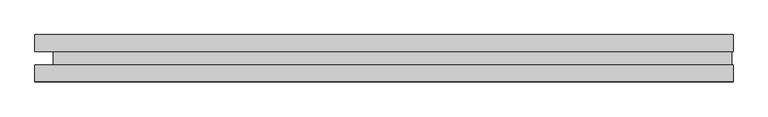
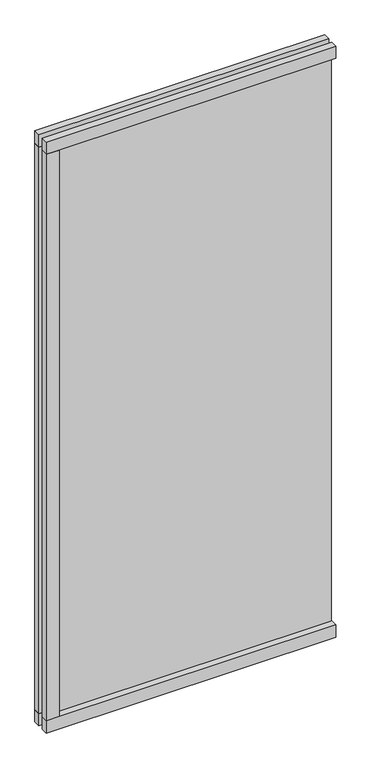
"""IFC4 building model written with IfcOpenShell, lengths in millimetres: plate geometry."""

from ifc_helpers import new_model, si_unit, frame, origin, origin_with_axes, place, context, project, spatial, polyline, outline, extrude, source, transform, mapped, element, save


def plate_3083fabf(model_context):
    return source(origin(), model_context, "Body", "SweptSolid", [
        extrude(outline(polyline([(-667.5833334, 45.0), (-607.5833334, 45.0), (-607.5833334, 13.0), (-667.5833334, 13.0), (-667.5833334, 45.0)])), frame((0.0, 0.0, 60.0), z_axis=(0.0, 0.0, 1.0), x_axis=(1.0, 0.0, 0.0)), (0.0, 0.0, 1.0), 2765.0),
        extrude(outline(polyline([(-607.5833334, -13.0), (-607.5833334, -45.0), (-667.5833334, -45.0), (-667.5833334, -13.0), (-607.5833334, -13.0)])), frame((0.0, 0.0, 60.0), z_axis=(0.0, 0.0, 1.0), x_axis=(1.0, 0.0, 0.0)), (0.0, 0.0, 1.0), 2765.0),
        extrude(outline(polyline([(670.0833334, -13.0), (670.0833334, -45.0), (-667.5833334, -45.0), (-667.5833334, -13.0), (670.0833334, -13.0)])), origin_with_axes(), (0.0, 0.0, 1.0), 60.0),
        extrude(outline(polyline([(670.0833334, 45.0), (670.0833334, 13.0), (-667.5833334, 13.0), (-667.5833334, 45.0), (670.0833334, 45.0)])), origin_with_axes(), (0.0, 0.0, 1.0), 60.0),
        extrude(outline(polyline([(670.0833334, -13.0), (670.0833334, -45.0), (-667.5833334, -45.0), (-667.5833334, -13.0), (670.0833334, -13.0)])), frame((0.0, 0.0, 2825.0), z_axis=(0.0, 0.0, 1.0), x_axis=(1.0, 0.0, 0.0)), (0.0, 0.0, 1.0), 60.0),
        extrude(outline(polyline([(670.0833334, 45.0), (670.0833334, 13.0), (-667.5833334, 13.0), (-667.5833334, 45.0), (670.0833334, 45.0)])), frame((0.0, 0.0, 2825.0), z_axis=(0.0, 0.0, 1.0), x_axis=(1.0, 0.0, 0.0)), (0.0, 0.0, 1.0), 60.0),
        extrude(outline(polyline([(667.5833334, -13.0), (-632.0833334, -13.0), (-632.0833334, 13.0), (667.5833334, 13.0), (667.5833334, -13.0)])), frame((0.0, 0.0, 28.0), z_axis=(0.0, 0.0, 1.0), x_axis=(1.0, 0.0, 0.0)), (0.0, 0.0, 1.0), 2829.0),
    ])


if __name__ == "__main__":
    model = new_model("IFC4")
    model_context = context("Model", 3, world=origin())
    ifc_project = project(units=[si_unit("LENGTHUNIT", "METRE", prefix="MILLI")], contexts=[model_context])
    site = spatial("IfcSite", under=ifc_project)
    building = spatial("IfcBuilding", under=site)
    placement = place(None, origin())
    plate_shape = plate_3083fabf(model_context)
    element("IfcPlate", 1, at=placement, inside=building, context=model_context, shape_type="MappedRepresentation", body=[
        mapped(plate_shape, transform((0.0, 0.0, 0.0), x_axis=(1.0, 0.0, 0.0), y_axis=(0.0, 1.0, 0.0), z_axis=(0.0, 0.0, 1.0))),
    ])
    save(model, "model.ifc")
